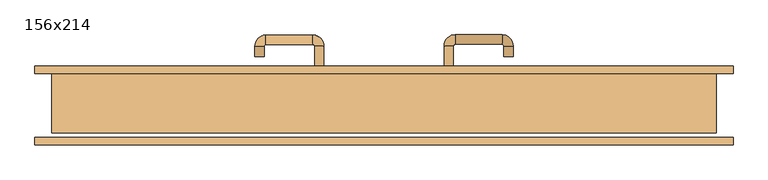
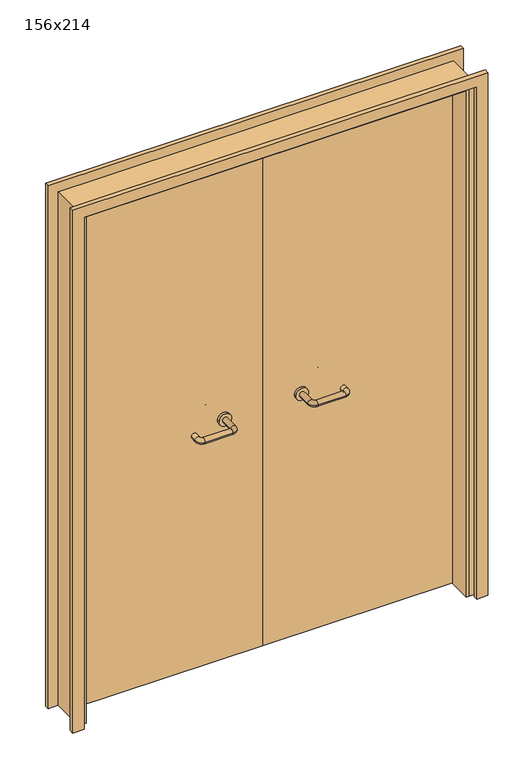
"""IFC4 building model written with IfcOpenShell, lengths in millimetres: door geometry, 156x214."""

from ifc_helpers import new_model, si_unit, point, frame, frame_2d, origin, place, context, project, spatial, polyline, circle_curve, ellipse_curve, trimmed, segment, composite_curve, outline, extrude, faceted_brep, source, transform, mapped, element, save
from ifc_brep_helpers import plane_surface, cylinder_surface, revolved_surface, advanced_brep


def door_156x214_a8cb5801(model_context):
    return source(origin(), model_context, "Body", "SolidModel", [
        faceted_brep([(-750.0, 28.0, 0.0), (-750.0, -65.0, 0.0), (-760.0, -65.0, 0.0), (-760.0, 28.0, 0.0), (-750.0, 28.0, 2110.0), (-750.0, -65.0, 2110.0), (-760.0, -65.0, 2120.0), (-760.0, 28.0, 2120.0), (750.0, 28.0, 0.0), (760.0, 28.0, 0.0), (760.0, -65.0, 0.0), (750.0, -65.0, 0.0), (750.0, 28.0, 2110.0), (760.0, 28.0, 2120.0), (760.0, -65.0, 2120.0), (750.0, -65.0, 2110.0)], [[[0, 1, 2, 3]], [[1, 0, 4, 5]], [[2, 1, 5, 6]], [[3, 2, 6, 7]], [[0, 3, 7, 4]], [[8, 9, 10, 11]], [[12, 13, 9, 8]], [[13, 14, 10, 9]], [[14, 15, 11, 10]], [[15, 12, 8, 11]], [[5, 4, 12, 15]], [[6, 5, 15, 14]], [[7, 6, 14, 13]], [[4, 7, 13, 12]]]),
        extrude(outline(polyline([(2179.0, 819.0), (2179.0, -819.0), (0.0, -819.0), (0.0, -775.0), (2135.0, -775.0), (2135.0, 775.0), (0.0, 775.0), (0.0, 819.0), (2179.0, 819.0)])), frame((0.0, 75.0, 0.0), z_axis=(0.0, 1.0, 0.0), x_axis=(0.0, 0.0, 1.0)), (0.0, 0.0, 1.0), 18.0),
        extrude(outline(polyline([(2179.0, -819.0), (0.0, -819.0), (0.0, -775.0), (2135.0, -775.0), (2135.0, 775.0), (0.0, 775.0), (0.0, 819.0), (2179.0, 819.0), (2179.0, -819.0)])), frame((0.0, -93.0, 0.0), z_axis=(0.0, 1.0, 0.0), x_axis=(0.0, 0.0, 1.0)), (0.0, 0.0, 1.0), 18.0),
        extrude(outline(polyline([(2140.0, -780.0), (0.0, -780.0), (0.0, -760.0), (2120.0, -760.0), (2120.0, 760.0), (0.0, 760.0), (0.0, 780.0), (2140.0, 780.0), (2140.0, -780.0)])), frame((0.0, -65.0, 0.0), z_axis=(0.0, 1.0, 0.0), x_axis=(0.0, 0.0, 1.0)), (0.0, 0.0, 1.0), 140.0),
        advanced_brep(
        [(140.99898, 21.0, 1003.0), (162.99898, 21.0, 1003.0), (140.99898, -34.3525369, 1003.0), (162.99898, -34.3525369, 1003.0), (166.99898, -38.3525369, 1003.0), (166.99898, -60.3525369, 1003.0), (276.99898, -60.3525369, 1003.0), (276.99898, -38.3525369, 1003.0), (280.99898, -34.3525369, 1003.0), (302.99898, -34.3525369, 1003.0), (302.99898, -17.0, 1003.0), (280.99898, -17.0, 1003.0)],
        [
            (0, 1, circle_curve(frame((151.99898, 21.0, 1003.0), z_axis=(0.0, 1.0, 0.0), x_axis=(1.0, 0.0, 0.0)), 11.0)),
            (1, 0, circle_curve(frame((151.99898, 21.0, 1003.0), z_axis=(0.0, 1.0, 0.0), x_axis=(1.0, 0.0, 0.0)), 11.0)),
            (0, 2),
            (2, 3, circle_curve(frame((151.99898, -34.3525369, 1003.0), z_axis=(0.0, 1.0, 0.0), x_axis=(1.0, 0.0, 0.0)), 11.0)),
            (3, 1),
            (3, 2, circle_curve(frame((151.99898, -34.3525369, 1003.0), z_axis=(0.0, 1.0, 0.0), x_axis=(1.0, 0.0, 0.0)), 11.0)),
            (4, 3, circle_curve(frame((166.99898, -34.3525369, 1003.0), z_axis=(0.0, 0.0, -1.0), x_axis=(-1.0, 0.0, 0.0)), 4.0)),
            (2, 5, circle_curve(frame((166.99898, -34.3525369, 1003.0), z_axis=(0.0, 0.0, 1.0), x_axis=(-1.0, 0.0, 0.0)), 26.0)),
            (5, 4, circle_curve(frame((166.99898, -49.3525369, 1003.0), z_axis=(-1.0, 0.0, 0.0), x_axis=(0.0, 1.0, 0.0)), 11.0)),
            (4, 5, circle_curve(frame((166.99898, -49.3525369, 1003.0), z_axis=(-1.0, 0.0, 0.0), x_axis=(0.0, 1.0, 0.0)), 11.0)),
            (5, 6),
            (6, 7, circle_curve(frame((276.99898, -49.3525369, 1003.0), z_axis=(-1.0, 0.0, 0.0), x_axis=(0.0, 1.0, 0.0)), 11.0)),
            (7, 4),
            (7, 6, circle_curve(frame((276.99898, -49.3525369, 1003.0), z_axis=(-1.0, 0.0, 0.0), x_axis=(0.0, 1.0, 0.0)), 11.0)),
            (8, 7, circle_curve(frame((276.99898, -34.3525369, 1003.0), z_axis=(0.0, 0.0, -1.0), x_axis=(0.0, -1.0, 0.0)), 4.0)),
            (6, 9, circle_curve(frame((276.99898, -34.3525369, 1003.0), z_axis=(0.0, 0.0, 1.0), x_axis=(0.0, -1.0, 0.0)), 26.0)),
            (9, 8, circle_curve(frame((291.99898, -34.3525369, 1003.0), z_axis=(0.0, -1.0, 0.0), x_axis=(-1.0, 0.0, 0.0)), 11.0)),
            (8, 9, circle_curve(frame((291.99898, -34.3525369, 1003.0), z_axis=(0.0, -1.0, 0.0), x_axis=(-1.0, 0.0, 0.0)), 11.0)),
            (10, 11, circle_curve(frame((291.99898, -17.0, 1003.0), z_axis=(0.0, 1.0, 0.0), x_axis=(-1.0, 0.0, 0.0)), 11.0)),
            (11, 10, circle_curve(frame((291.99898, -17.0, 1003.0), z_axis=(0.0, 1.0, 0.0), x_axis=(-1.0, 0.0, 0.0)), 11.0)),
            (9, 10),
            (11, 8),
        ],
        [
            plane_surface(frame((140.99898, 21.0, 1003.0), z_axis=(0.0, 1.0, 0.0), x_axis=(0.0, 0.0, -1.0))),
            cylinder_surface(frame((151.99898, 21.0, 1003.0), z_axis=(0.0, 1.0, 0.0), x_axis=(1.0, 0.0, 0.0)), 11.0),
            revolved_surface(trimmed(ellipse_curve(frame((151.99898, -34.3525369, 1003.0), z_axis=(0.0, 1.0, 0.0), x_axis=(1.0, 0.0, 0.0)), 11.0, 11.0), [point((140.99898, -34.3525369, 1003.0))], [point((162.99898, -34.3525369, 1003.0))], True, "CARTESIAN"), (166.99898, -34.3525369, 1003.0), (0.0, 0.0, 1.0)),
            revolved_surface(trimmed(ellipse_curve(frame((151.99898, -34.3525369, 1003.0), z_axis=(0.0, 1.0, 0.0), x_axis=(1.0, 0.0, 0.0)), 11.0, 11.0), [point((162.99898, -34.3525369, 1003.0))], [point((140.99898, -34.3525369, 1003.0))], True, "CARTESIAN"), (166.99898, -34.3525369, 1003.0), (0.0, 0.0, 1.0)),
            cylinder_surface(frame((166.99898, -49.3525369, 1003.0), z_axis=(-1.0, 0.0, 0.0), x_axis=(0.0, 1.0, 0.0)), 11.0),
            revolved_surface(trimmed(ellipse_curve(frame((276.99898, -49.3525369, 1003.0), z_axis=(-1.0, 0.0, 0.0), x_axis=(0.0, 1.0, 0.0)), 11.0, 11.0), [point((276.99898, -60.3525369, 1003.0))], [point((276.99898, -38.3525369, 1003.0))], True, "CARTESIAN"), (276.99898, -34.3525369, 1003.0), (0.0, 0.0, 1.0)),
            revolved_surface(trimmed(ellipse_curve(frame((276.99898, -49.3525369, 1003.0), z_axis=(-1.0, 0.0, 0.0), x_axis=(0.0, 1.0, 0.0)), 11.0, 11.0), [point((276.99898, -38.3525369, 1003.0))], [point((276.99898, -60.3525369, 1003.0))], True, "CARTESIAN"), (276.99898, -34.3525369, 1003.0), (0.0, 0.0, 1.0)),
            plane_surface(frame((280.99898, -17.0, 1003.0), z_axis=(0.0, 1.0, 0.0), x_axis=(0.0, 0.0, 1.0))),
            cylinder_surface(frame((291.99898, -34.3525369, 1003.0), z_axis=(0.0, -1.0, 0.0), x_axis=(-1.0, 0.0, 0.0)), 11.0),
        ],
        [
            (0, [[1, 2]]),
            (1, [[-1, 3, 4, 5]]),
            (1, [[-2, -5, 6, -3]]),
            (2, [[7, -4, 8, 9]]),
            (3, [[-8, -6, -7, 10]]),
            (4, [[-9, 11, 12, 13]]),
            (4, [[-10, -13, 14, -11]]),
            (5, [[15, -12, 16, 17]]),
            (6, [[-16, -14, -15, 18]]),
            (7, [[19, 20]]),
            (8, [[-17, 21, -20, 22]]),
            (8, [[-18, -22, -19, -21]]),
        ],
    ),
        extrude(outline(composite_curve([segment(trimmed(circle_curve(frame_2d((1003.0, 151.99898)), 25.0), [point((1003.0, 126.99898))], [point((1003.0, 176.99898))], False, "CARTESIAN"), True, "CONTINUOUS"), segment(trimmed(circle_curve(frame_2d((1003.0, 151.99898)), 25.0), [point((1003.0, 176.99898))], [point((1003.0, 126.99898))], False, "CARTESIAN"), True, "CONTINUOUS")], self_intersect=False)), frame((0.0, 21.0, 0.0), z_axis=(0.0, 1.0, 0.0), x_axis=(0.0, 0.0, 1.0)), (0.0, 0.0, 1.0), 10.0),
        advanced_brep(
        [(162.99898, 85.0, 1003.0), (140.99898, 85.0, 1003.0), (162.99898, 140.0, 1003.0), (140.99898, 140.0, 1003.0), (166.99898, 166.0, 1003.0), (166.99898, 144.0, 1003.0), (276.99898, 144.0, 1003.0), (276.99898, 166.0, 1003.0), (302.99898, 140.0, 1003.0), (280.99898, 140.0, 1003.0), (280.99898, 115.0, 1003.0), (302.99898, 115.0, 1003.0)],
        [
            (0, 1, circle_curve(frame((151.99898, 85.0, 1003.0), z_axis=(0.0, -1.0, 0.0), x_axis=(-1.0, 0.0, 0.0)), 11.0)),
            (1, 0, circle_curve(frame((151.99898, 85.0, 1003.0), z_axis=(0.0, -1.0, 0.0), x_axis=(-1.0, 0.0, 0.0)), 11.0)),
            (0, 2),
            (2, 3, circle_curve(frame((151.99898, 140.0, 1003.0), z_axis=(0.0, -1.0, 0.0), x_axis=(-1.0, 0.0, 0.0)), 11.0)),
            (3, 1),
            (3, 2, circle_curve(frame((151.99898, 140.0, 1003.0), z_axis=(0.0, -1.0, 0.0), x_axis=(-1.0, 0.0, 0.0)), 11.0)),
            (4, 3, circle_curve(frame((166.99898, 140.0, 1003.0), z_axis=(0.0, 0.0, 1.0), x_axis=(-1.0, 0.0, 0.0)), 26.0)),
            (2, 5, circle_curve(frame((166.99898, 140.0, 1003.0), z_axis=(0.0, 0.0, -1.0), x_axis=(-1.0, 0.0, 0.0)), 4.0)),
            (5, 4, circle_curve(frame((166.99898, 155.0, 1003.0), z_axis=(-1.0, 0.0, 0.0), x_axis=(0.0, 1.0, 0.0)), 11.0)),
            (4, 5, circle_curve(frame((166.99898, 155.0, 1003.0), z_axis=(-1.0, 0.0, 0.0), x_axis=(0.0, 1.0, 0.0)), 11.0)),
            (5, 6),
            (6, 7, circle_curve(frame((276.99898, 155.0, 1003.0), z_axis=(-1.0, 0.0, 0.0), x_axis=(0.0, 1.0, 0.0)), 11.0)),
            (7, 4),
            (7, 6, circle_curve(frame((276.99898, 155.0, 1003.0), z_axis=(-1.0, 0.0, 0.0), x_axis=(0.0, 1.0, 0.0)), 11.0)),
            (8, 7, circle_curve(frame((276.99898, 140.0, 1003.0), z_axis=(0.0, 0.0, 1.0), x_axis=(0.0, 1.0, 0.0)), 26.0)),
            (6, 9, circle_curve(frame((276.99898, 140.0, 1003.0), z_axis=(0.0, 0.0, -1.0), x_axis=(0.0, 1.0, 0.0)), 4.0)),
            (9, 8, circle_curve(frame((291.99898, 140.0, 1003.0), z_axis=(0.0, 1.0, 0.0), x_axis=(1.0, 0.0, 0.0)), 11.0)),
            (8, 9, circle_curve(frame((291.99898, 140.0, 1003.0), z_axis=(0.0, 1.0, 0.0), x_axis=(1.0, 0.0, 0.0)), 11.0)),
            (10, 11, circle_curve(frame((291.99898, 115.0, 1003.0), z_axis=(0.0, -1.0, 0.0), x_axis=(1.0, 0.0, 0.0)), 11.0)),
            (11, 10, circle_curve(frame((291.99898, 115.0, 1003.0), z_axis=(0.0, -1.0, 0.0), x_axis=(1.0, 0.0, 0.0)), 11.0)),
            (9, 10),
            (11, 8),
        ],
        [
            plane_surface(frame((140.99898, 85.0, 1003.0), z_axis=(0.0, -1.0, 0.0), x_axis=(0.0, 0.0, 1.0))),
            cylinder_surface(frame((151.99898, 85.0, 1003.0), z_axis=(0.0, -1.0, 0.0), x_axis=(-1.0, 0.0, 0.0)), 11.0),
            revolved_surface(trimmed(ellipse_curve(frame((151.99898, 140.0, 1003.0), z_axis=(0.0, -1.0, 0.0), x_axis=(-1.0, 0.0, 0.0)), 11.0, 11.0), [point((162.99898, 140.0, 1003.0))], [point((140.99898, 140.0, 1003.0))], True, "CARTESIAN"), (166.99898, 140.0, 1003.0), (0.0, 0.0, -1.0)),
            revolved_surface(trimmed(ellipse_curve(frame((151.99898, 140.0, 1003.0), z_axis=(0.0, -1.0, 0.0), x_axis=(-1.0, 0.0, 0.0)), 11.0, 11.0), [point((140.99898, 140.0, 1003.0))], [point((162.99898, 140.0, 1003.0))], True, "CARTESIAN"), (166.99898, 140.0, 1003.0), (0.0, 0.0, -1.0)),
            cylinder_surface(frame((166.99898, 155.0, 1003.0), z_axis=(-1.0, 0.0, 0.0), x_axis=(0.0, 1.0, 0.0)), 11.0),
            revolved_surface(trimmed(ellipse_curve(frame((276.99898, 155.0, 1003.0), z_axis=(-1.0, 0.0, 0.0), x_axis=(0.0, 1.0, 0.0)), 11.0, 11.0), [point((276.99898, 144.0, 1003.0))], [point((276.99898, 166.0, 1003.0))], True, "CARTESIAN"), (276.99898, 140.0, 1003.0), (0.0, 0.0, -1.0)),
            revolved_surface(trimmed(ellipse_curve(frame((276.99898, 155.0, 1003.0), z_axis=(-1.0, 0.0, 0.0), x_axis=(0.0, 1.0, 0.0)), 11.0, 11.0), [point((276.99898, 166.0, 1003.0))], [point((276.99898, 144.0, 1003.0))], True, "CARTESIAN"), (276.99898, 140.0, 1003.0), (0.0, 0.0, -1.0)),
            plane_surface(frame((280.99898, 115.0, 1003.0), z_axis=(0.0, -1.0, 0.0), x_axis=(0.0, 0.0, -1.0))),
            cylinder_surface(frame((291.99898, 140.0, 1003.0), z_axis=(0.0, 1.0, 0.0), x_axis=(1.0, 0.0, 0.0)), 11.0),
        ],
        [
            (0, [[1, 2]]),
            (1, [[-1, 3, 4, 5]]),
            (1, [[-2, -5, 6, -3]]),
            (2, [[7, -4, 8, 9]]),
            (3, [[-8, -6, -7, 10]]),
            (4, [[-9, 11, 12, 13]]),
            (4, [[-10, -13, 14, -11]]),
            (5, [[15, -12, 16, 17]]),
            (6, [[-16, -14, -15, 18]]),
            (7, [[19, 20]]),
            (8, [[-17, 21, -20, 22]]),
            (8, [[-18, -22, -19, -21]]),
        ],
    ),
        extrude(outline(composite_curve([segment(trimmed(circle_curve(frame_2d((1003.0, 151.99898)), 25.0), [point((1003.0, 176.99898))], [point((1003.0, 126.99898))], False, "CARTESIAN"), True, "CONTINUOUS"), segment(trimmed(circle_curve(frame_2d((1003.0, 151.99898)), 25.0), [point((1003.0, 126.99898))], [point((1003.0, 176.99898))], False, "CARTESIAN"), True, "CONTINUOUS")], self_intersect=False)), frame((0.0, 75.0, 0.0), z_axis=(0.0, 1.0, 0.0), x_axis=(0.0, 0.0, 1.0)), (0.0, 0.0, 1.0), 10.0),
        advanced_brep(
        [(-162.99898, 20.6886121, 1003.0), (-140.99898, 20.6886121, 1003.0), (-162.99898, -34.7220447, 1003.0), (-140.99898, -34.7220447, 1003.0), (-166.99898, -60.7220447, 1003.0), (-166.99898, -38.7220447, 1003.0), (-276.99898, -38.7220447, 1003.0), (-276.99898, -60.7220447, 1003.0), (-302.99898, -34.7220447, 1003.0), (-280.99898, -34.7220447, 1003.0), (-280.99898, -9.7220447, 1003.0), (-302.99898, -9.7220447, 1003.0)],
        [
            (0, 1, circle_curve(frame((-151.99898, 20.6886121, 1003.0), z_axis=(0.0, 1.0, 0.0), x_axis=(1.0, 0.0, 0.0)), 11.0)),
            (1, 0, circle_curve(frame((-151.99898, 20.6886121, 1003.0), z_axis=(0.0, 1.0, 0.0), x_axis=(1.0, 0.0, 0.0)), 11.0)),
            (0, 2),
            (2, 3, circle_curve(frame((-151.99898, -34.7220447, 1003.0), z_axis=(0.0, 1.0, 0.0), x_axis=(1.0, 0.0, 0.0)), 11.0)),
            (3, 1),
            (3, 2, circle_curve(frame((-151.99898, -34.7220447, 1003.0), z_axis=(0.0, 1.0, 0.0), x_axis=(1.0, 0.0, 0.0)), 11.0)),
            (4, 3, circle_curve(frame((-166.99898, -34.7220447, 1003.0), z_axis=(0.0, 0.0, 1.0), x_axis=(1.0, 0.0, 0.0)), 26.0)),
            (2, 5, circle_curve(frame((-166.99898, -34.7220447, 1003.0), z_axis=(0.0, 0.0, -1.0), x_axis=(1.0, 0.0, 0.0)), 4.0)),
            (5, 4, circle_curve(frame((-166.99898, -49.7220447, 1003.0), z_axis=(1.0, 0.0, 0.0), x_axis=(0.0, -1.0, 0.0)), 11.0)),
            (4, 5, circle_curve(frame((-166.99898, -49.7220447, 1003.0), z_axis=(1.0, 0.0, 0.0), x_axis=(0.0, -1.0, 0.0)), 11.0)),
            (5, 6),
            (6, 7, circle_curve(frame((-276.99898, -49.7220447, 1003.0), z_axis=(1.0, 0.0, 0.0), x_axis=(0.0, -1.0, 0.0)), 11.0)),
            (7, 4),
            (7, 6, circle_curve(frame((-276.99898, -49.7220447, 1003.0), z_axis=(1.0, 0.0, 0.0), x_axis=(0.0, -1.0, 0.0)), 11.0)),
            (8, 7, circle_curve(frame((-276.99898, -34.7220447, 1003.0), z_axis=(0.0, 0.0, 1.0), x_axis=(0.0, -1.0, 0.0)), 26.0)),
            (6, 9, circle_curve(frame((-276.99898, -34.7220447, 1003.0), z_axis=(0.0, 0.0, -1.0), x_axis=(0.0, -1.0, 0.0)), 4.0)),
            (9, 8, circle_curve(frame((-291.99898, -34.7220447, 1003.0), z_axis=(0.0, -1.0, 0.0), x_axis=(-1.0, 0.0, 0.0)), 11.0)),
            (8, 9, circle_curve(frame((-291.99898, -34.7220447, 1003.0), z_axis=(0.0, -1.0, 0.0), x_axis=(-1.0, 0.0, 0.0)), 11.0)),
            (10, 11, circle_curve(frame((-291.99898, -9.7220447, 1003.0), z_axis=(0.0, 1.0, 0.0), x_axis=(-1.0, 0.0, 0.0)), 11.0)),
            (11, 10, circle_curve(frame((-291.99898, -9.7220447, 1003.0), z_axis=(0.0, 1.0, 0.0), x_axis=(-1.0, 0.0, 0.0)), 11.0)),
            (9, 10),
            (11, 8),
        ],
        [
            plane_surface(frame((-162.99898, 20.6886121, 1003.0), z_axis=(0.0, 1.0, 0.0), x_axis=(0.0, 0.0, -1.0))),
            cylinder_surface(frame((-151.99898, 20.6886121, 1003.0), z_axis=(0.0, 1.0, 0.0), x_axis=(1.0, 0.0, 0.0)), 11.0),
            revolved_surface(trimmed(ellipse_curve(frame((-151.99898, -34.7220447, 1003.0), z_axis=(0.0, 1.0, 0.0), x_axis=(1.0, 0.0, 0.0)), 11.0, 11.0), [point((-162.99898, -34.7220447, 1003.0))], [point((-140.99898, -34.7220447, 1003.0))], True, "CARTESIAN"), (-166.99898, -34.7220447, 1003.0), (0.0, 0.0, -1.0)),
            revolved_surface(trimmed(ellipse_curve(frame((-151.99898, -34.7220447, 1003.0), z_axis=(0.0, 1.0, 0.0), x_axis=(1.0, 0.0, 0.0)), 11.0, 11.0), [point((-140.99898, -34.7220447, 1003.0))], [point((-162.99898, -34.7220447, 1003.0))], True, "CARTESIAN"), (-166.99898, -34.7220447, 1003.0), (0.0, 0.0, -1.0)),
            cylinder_surface(frame((-166.99898, -49.7220447, 1003.0), z_axis=(1.0, 0.0, 0.0), x_axis=(0.0, -1.0, 0.0)), 11.0),
            revolved_surface(trimmed(ellipse_curve(frame((-276.99898, -49.7220447, 1003.0), z_axis=(1.0, 0.0, 0.0), x_axis=(0.0, -1.0, 0.0)), 11.0, 11.0), [point((-276.99898, -38.7220447, 1003.0))], [point((-276.99898, -60.7220447, 1003.0))], True, "CARTESIAN"), (-276.99898, -34.7220447, 1003.0), (0.0, 0.0, -1.0)),
            revolved_surface(trimmed(ellipse_curve(frame((-276.99898, -49.7220447, 1003.0), z_axis=(1.0, 0.0, 0.0), x_axis=(0.0, -1.0, 0.0)), 11.0, 11.0), [point((-276.99898, -60.7220447, 1003.0))], [point((-276.99898, -38.7220447, 1003.0))], True, "CARTESIAN"), (-276.99898, -34.7220447, 1003.0), (0.0, 0.0, -1.0)),
            plane_surface(frame((-302.99898, -9.7220447, 1003.0), z_axis=(0.0, 1.0, 0.0), x_axis=(0.0, 0.0, 1.0))),
            cylinder_surface(frame((-291.99898, -34.7220447, 1003.0), z_axis=(0.0, -1.0, 0.0), x_axis=(-1.0, 0.0, 0.0)), 11.0),
        ],
        [
            (0, [[1, 2]]),
            (1, [[-1, 3, 4, 5]]),
            (1, [[-2, -5, 6, -3]]),
            (2, [[7, -4, 8, 9]]),
            (3, [[-8, -6, -7, 10]]),
            (4, [[-9, 11, 12, 13]]),
            (4, [[-10, -13, 14, -11]]),
            (5, [[15, -12, 16, 17]]),
            (6, [[-16, -14, -15, 18]]),
            (7, [[19, 20]]),
            (8, [[-17, 21, -20, 22]]),
            (8, [[-18, -22, -19, -21]]),
        ],
    ),
        extrude(outline(composite_curve([segment(trimmed(circle_curve(frame_2d((1003.0, -151.99898)), 25.0), [point((1003.0, -176.99898))], [point((1003.0, -126.99898))], False, "CARTESIAN"), True, "CONTINUOUS"), segment(trimmed(circle_curve(frame_2d((1003.0, -151.99898)), 25.0), [point((1003.0, -126.99898))], [point((1003.0, -176.99898))], False, "CARTESIAN"), True, "CONTINUOUS")], self_intersect=False)), frame((0.0, 20.6886121, 0.0), z_axis=(0.0, 1.0, 0.0), x_axis=(0.0, 0.0, 1.0)), (0.0, 0.0, 1.0), 10.3113879),
        advanced_brep(
        [(-140.99898, 84.5143417, 1003.0), (-162.99898, 84.5143417, 1003.0), (-140.99898, 139.6104656, 1003.0), (-162.99898, 139.6104656, 1003.0), (-166.99898, 143.6104656, 1003.0), (-166.99898, 165.6104656, 1003.0), (-276.99898, 165.6104656, 1003.0), (-276.99898, 143.6104656, 1003.0), (-280.99898, 139.6104656, 1003.0), (-302.99898, 139.6104656, 1003.0), (-302.99898, 114.6104656, 1003.0), (-280.99898, 114.6104656, 1003.0)],
        [
            (0, 1, circle_curve(frame((-151.99898, 84.5143417, 1003.0), z_axis=(0.0, -1.0, 0.0), x_axis=(-1.0, 0.0, 0.0)), 11.0)),
            (1, 0, circle_curve(frame((-151.99898, 84.5143417, 1003.0), z_axis=(0.0, -1.0, 0.0), x_axis=(-1.0, 0.0, 0.0)), 11.0)),
            (0, 2),
            (2, 3, circle_curve(frame((-151.99898, 139.6104656, 1003.0), z_axis=(0.0, -1.0, 0.0), x_axis=(-1.0, 0.0, 0.0)), 11.0)),
            (3, 1),
            (3, 2, circle_curve(frame((-151.99898, 139.6104656, 1003.0), z_axis=(0.0, -1.0, 0.0), x_axis=(-1.0, 0.0, 0.0)), 11.0)),
            (4, 3, circle_curve(frame((-166.99898, 139.6104656, 1003.0), z_axis=(0.0, 0.0, -1.0), x_axis=(1.0, 0.0, 0.0)), 4.0)),
            (2, 5, circle_curve(frame((-166.99898, 139.6104656, 1003.0), z_axis=(0.0, 0.0, 1.0), x_axis=(1.0, 0.0, 0.0)), 26.0)),
            (5, 4, circle_curve(frame((-166.99898, 154.6104656, 1003.0), z_axis=(1.0, 0.0, 0.0), x_axis=(0.0, -1.0, 0.0)), 11.0)),
            (4, 5, circle_curve(frame((-166.99898, 154.6104656, 1003.0), z_axis=(1.0, 0.0, 0.0), x_axis=(0.0, -1.0, 0.0)), 11.0)),
            (5, 6),
            (6, 7, circle_curve(frame((-276.99898, 154.6104656, 1003.0), z_axis=(1.0, 0.0, 0.0), x_axis=(0.0, -1.0, 0.0)), 11.0)),
            (7, 4),
            (7, 6, circle_curve(frame((-276.99898, 154.6104656, 1003.0), z_axis=(1.0, 0.0, 0.0), x_axis=(0.0, -1.0, 0.0)), 11.0)),
            (8, 7, circle_curve(frame((-276.99898, 139.6104656, 1003.0), z_axis=(0.0, 0.0, -1.0), x_axis=(0.0, 1.0, 0.0)), 4.0)),
            (6, 9, circle_curve(frame((-276.99898, 139.6104656, 1003.0), z_axis=(0.0, 0.0, 1.0), x_axis=(0.0, 1.0, 0.0)), 26.0)),
            (9, 8, circle_curve(frame((-291.99898, 139.6104656, 1003.0), z_axis=(0.0, 1.0, 0.0), x_axis=(1.0, 0.0, 0.0)), 11.0)),
            (8, 9, circle_curve(frame((-291.99898, 139.6104656, 1003.0), z_axis=(0.0, 1.0, 0.0), x_axis=(1.0, 0.0, 0.0)), 11.0)),
            (10, 11, circle_curve(frame((-291.99898, 114.6104656, 1003.0), z_axis=(0.0, -1.0, 0.0), x_axis=(1.0, 0.0, 0.0)), 11.0)),
            (11, 10, circle_curve(frame((-291.99898, 114.6104656, 1003.0), z_axis=(0.0, -1.0, 0.0), x_axis=(1.0, 0.0, 0.0)), 11.0)),
            (9, 10),
            (11, 8),
        ],
        [
            plane_surface(frame((-162.99898, 84.5143417, 1003.0), z_axis=(0.0, -1.0, 0.0), x_axis=(0.0, 0.0, 1.0))),
            cylinder_surface(frame((-151.99898, 84.5143417, 1003.0), z_axis=(0.0, -1.0, 0.0), x_axis=(-1.0, 0.0, 0.0)), 11.0),
            revolved_surface(trimmed(ellipse_curve(frame((-151.99898, 139.6104656, 1003.0), z_axis=(0.0, -1.0, 0.0), x_axis=(-1.0, 0.0, 0.0)), 11.0, 11.0), [point((-140.99898, 139.6104656, 1003.0))], [point((-162.99898, 139.6104656, 1003.0))], True, "CARTESIAN"), (-166.99898, 139.6104656, 1003.0), (0.0, 0.0, 1.0)),
            revolved_surface(trimmed(ellipse_curve(frame((-151.99898, 139.6104656, 1003.0), z_axis=(0.0, -1.0, 0.0), x_axis=(-1.0, 0.0, 0.0)), 11.0, 11.0), [point((-162.99898, 139.6104656, 1003.0))], [point((-140.99898, 139.6104656, 1003.0))], True, "CARTESIAN"), (-166.99898, 139.6104656, 1003.0), (0.0, 0.0, 1.0)),
            cylinder_surface(frame((-166.99898, 154.6104656, 1003.0), z_axis=(1.0, 0.0, 0.0), x_axis=(0.0, -1.0, 0.0)), 11.0),
            revolved_surface(trimmed(ellipse_curve(frame((-276.99898, 154.6104656, 1003.0), z_axis=(1.0, 0.0, 0.0), x_axis=(0.0, -1.0, 0.0)), 11.0, 11.0), [point((-276.99898, 165.6104656, 1003.0))], [point((-276.99898, 143.6104656, 1003.0))], True, "CARTESIAN"), (-276.99898, 139.6104656, 1003.0), (0.0, 0.0, 1.0)),
            revolved_surface(trimmed(ellipse_curve(frame((-276.99898, 154.6104656, 1003.0), z_axis=(1.0, 0.0, 0.0), x_axis=(0.0, -1.0, 0.0)), 11.0, 11.0), [point((-276.99898, 143.6104656, 1003.0))], [point((-276.99898, 165.6104656, 1003.0))], True, "CARTESIAN"), (-276.99898, 139.6104656, 1003.0), (0.0, 0.0, 1.0)),
            plane_surface(frame((-302.99898, 114.6104656, 1003.0), z_axis=(0.0, -1.0, 0.0), x_axis=(0.0, 0.0, -1.0))),
            cylinder_surface(frame((-291.99898, 139.6104656, 1003.0), z_axis=(0.0, 1.0, 0.0), x_axis=(1.0, 0.0, 0.0)), 11.0),
        ],
        [
            (0, [[1, 2]]),
            (1, [[-1, 3, 4, 5]]),
            (1, [[-2, -5, 6, -3]]),
            (2, [[7, -4, 8, 9]]),
            (3, [[-8, -6, -7, 10]]),
            (4, [[-9, 11, 12, 13]]),
            (4, [[-10, -13, 14, -11]]),
            (5, [[15, -12, 16, 17]]),
            (6, [[-16, -14, -15, 18]]),
            (7, [[19, 20]]),
            (8, [[-17, 21, -20, 22]]),
            (8, [[-18, -22, -19, -21]]),
        ],
    ),
        extrude(outline(composite_curve([segment(trimmed(circle_curve(frame_2d((1003.0, -151.99898)), 25.0), [point((1003.0, -126.99898))], [point((1003.0, -176.99898))], False, "CARTESIAN"), True, "CONTINUOUS"), segment(trimmed(circle_curve(frame_2d((1003.0, -151.99898)), 25.0), [point((1003.0, -176.99898))], [point((1003.0, -126.99898))], False, "CARTESIAN"), True, "CONTINUOUS")], self_intersect=False)), frame((0.0, 75.0, 0.0), z_axis=(0.0, 1.0, 0.0), x_axis=(0.0, 0.0, 1.0)), (0.0, 0.0, 1.0), 9.5143417),
        extrude(outline(polyline([(1.0739506, 31.0), (-757.0, 31.0), (-757.0, 75.0), (1.0739506, 75.0), (1.0739506, 31.0)])), frame((0.0, 0.0, 1.753223), z_axis=(0.0, 0.0, 1.0), x_axis=(1.0, 0.0, 0.0)), (0.0, 0.0, 1.0), 2118.246777),
        extrude(outline(polyline([(757.0, 31.0), (1.0739506, 31.0), (1.0739506, 75.0), (757.0, 75.0), (757.0, 31.0)])), frame((0.0, 0.0, 1.753223), z_axis=(0.0, 0.0, 1.0), x_axis=(1.0, 0.0, 0.0)), (0.0, 0.0, 1.0), 2118.246777),
    ])


if __name__ == "__main__":
    model = new_model("IFC4")
    model_context = context("Model", 3, world=origin())
    ifc_project = project(units=[si_unit("LENGTHUNIT", "METRE", prefix="MILLI")], contexts=[model_context])
    site = spatial("IfcSite", under=ifc_project)
    building = spatial("IfcBuilding", under=site)
    placement = place(None, origin())
    door_156x214_shape = door_156x214_a8cb5801(model_context)
    element("IfcDoor", 1, ObjectType="156x214", at=placement, inside=building, context=model_context, shape_type="MappedRepresentation", body=[
        mapped(door_156x214_shape, transform((0.0, 0.0, 0.0), x_axis=(1.0, 0.0, 0.0), y_axis=(0.0, 1.0, 0.0), z_axis=(0.0, 0.0, 1.0))),
    ])
    save(model, "model.ifc")
